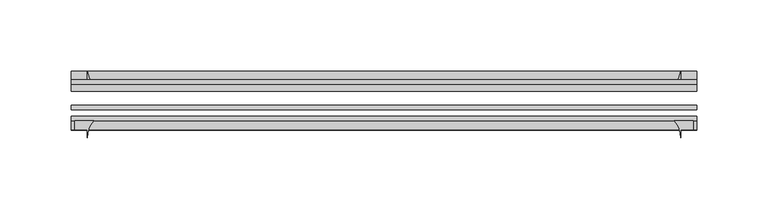
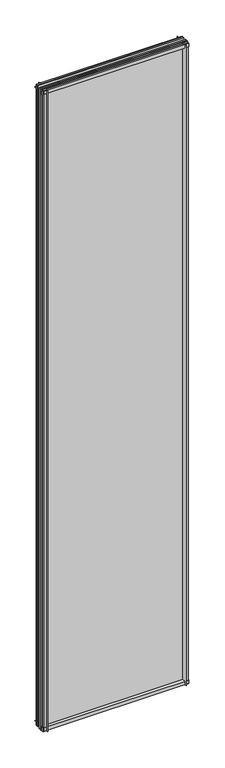
"""IFC4 building model written with IfcOpenShell, lengths in millimetres: plate geometry."""

from ifc_helpers import new_model, si_unit, point, frame, frame_2d, origin, place, context, project, spatial, polyline, circle_curve, trimmed, segment, composite_curve, outline, extrude, source, transform, mapped, element, save


def plate_d829abfe(model_context):
    return source(origin(), model_context, "Body", "SweptSolid", [
        extrude(outline(composite_curve([segment(polyline([(-42.891075, -11.1125), (-42.891075, 3.8539528)]), True, "CONTINUOUS"), segment(trimmed(circle_curve(frame_2d((-26.637892, 29.5913262)), 30.4397495), [point((-42.891075, 3.8539528))], [point((-33.7745413, 0.0))], True, "CARTESIAN"), True, "CONTINUOUS"), segment(polyline([(-33.7745413, 0.0), (-39.690675, 0.0), (-39.690675, -11.1125), (-42.891075, -11.1125)]), True, "CONTINUOUS")], self_intersect=False)), frame((-219.0607125, 0.0, 0.0), z_axis=(1.0, 0.0, 0.0), x_axis=(0.0, 1.0, 0.0)), (0.0, 0.0, 1.0), 438.121425),
        extrude(outline(composite_curve([segment(trimmed(circle_curve(frame_2d((-80.4922797, 17.8701603)), 18.6769817), [point((-74.641075, 0.1333891))], [point((-68.291075, 3.72943))], True, "CARTESIAN"), True, "CONTINUOUS"), segment(polyline([(-68.291075, 3.72943), (-68.291075, -10.3251), (-74.641075, -10.3251), (-74.641075, 0.1333891)]), True, "CONTINUOUS")], self_intersect=False)), frame((-219.0607125, 0.0, 0.0), z_axis=(1.0, 0.0, 0.0), x_axis=(0.0, 1.0, 0.0)), (0.0, 0.0, 1.0), 438.121425),
        extrude(outline(composite_curve([segment(polyline([(-42.891075, 2005.9083472), (-42.891075, 2020.8875), (-39.690675, 2020.8875), (-39.690675, 2009.775), (-33.721675, 2009.775)]), True, "CONTINUOUS"), segment(trimmed(circle_curve(frame_2d((-26.637892, 1980.1709738)), 30.4397495), [point((-33.721675, 2009.775))], [point((-42.891075, 2005.9083472))], True, "CARTESIAN"), True, "CONTINUOUS")], self_intersect=False)), frame((-219.0607125, 0.0, 0.0), z_axis=(1.0, 0.0, 0.0), x_axis=(0.0, 1.0, 0.0)), (0.0, 0.0, 1.0), 438.121425),
        extrude(outline(composite_curve([segment(polyline([(-68.291075, 2018.5126), (-68.291075, 2005.23912)]), True, "CONTINUOUS"), segment(trimmed(circle_curve(frame_2d((-80.4922797, 1991.0983897)), 18.6769817), [point((-68.291075, 2005.23912))], [point((-74.641075, 2008.8351609))], True, "CARTESIAN"), True, "CONTINUOUS"), segment(polyline([(-74.641075, 2008.8351609), (-74.641075, 2018.5126), (-68.291075, 2018.5126)]), True, "CONTINUOUS")], self_intersect=False)), frame((-219.0607125, 0.0, 0.0), z_axis=(1.0, 0.0, 0.0), x_axis=(0.0, 1.0, 0.0)), (0.0, 0.0, 1.0), 438.121425),
        extrude(outline(composite_curve([segment(polyline([(203.4123325, -68.291075), (216.6858125, -68.291075), (216.6858125, -74.641075), (207.9482125, -74.641075), (207.9482125, -80.3744844)]), True, "CONTINUOUS"), segment(trimmed(circle_curve(frame_2d((189.2716022, -80.4922797)), 18.6769817), [point((207.9482125, -80.3744844))], [point((203.4123325, -68.291075))], True, "CARTESIAN"), True, "CONTINUOUS")], self_intersect=False)), frame((0.0, 0.0, -11.1125), z_axis=(0.0, 0.0, 1.0), x_axis=(1.0, 0.0, 0.0)), (0.0, 0.0, 1.0), 2032.0),
        extrude(outline(composite_curve([segment(trimmed(circle_curve(frame_2d((178.3441863, -26.637892)), 30.4397495), [point((204.0815597, -42.891075))], [point((207.9482125, -33.721675))], True, "CARTESIAN"), True, "CONTINUOUS"), segment(polyline([(207.9482125, -33.721675), (207.9482125, -39.690675), (219.0607125, -39.690675), (219.0607125, -42.891075), (204.0815597, -42.891075)]), True, "CONTINUOUS")], self_intersect=False)), frame((0.0, 0.0, -11.1125), z_axis=(0.0, 0.0, 1.0), x_axis=(1.0, 0.0, 0.0)), (0.0, 0.0, 1.0), 2032.0),
        extrude(outline(composite_curve([segment(trimmed(circle_curve(frame_2d((-189.2716022, -80.4922797)), 18.6769817), [point((-203.4123325, -68.291075))], [point((-207.9482125, -80.3744844))], True, "CARTESIAN"), True, "CONTINUOUS"), segment(polyline([(-207.9482125, -80.3744844), (-207.9482125, -74.641075), (-216.6858125, -74.641075), (-216.6858125, -68.291075), (-203.4123325, -68.291075)]), True, "CONTINUOUS")], self_intersect=False)), frame((0.0, 0.0, -11.1125), z_axis=(0.0, 0.0, 1.0), x_axis=(1.0, 0.0, 0.0)), (0.0, 0.0, 1.0), 2032.0),
        extrude(outline(composite_curve([segment(polyline([(-204.0815597, -42.891075), (-219.0607125, -42.891075), (-219.0607125, -39.690675), (-207.9482125, -39.690675), (-207.9482125, -33.721675)]), True, "CONTINUOUS"), segment(trimmed(circle_curve(frame_2d((-178.3441863, -26.637892)), 30.4397495), [point((-207.9482125, -33.721675))], [point((-204.0815597, -42.891075))], True, "CARTESIAN"), True, "CONTINUOUS")], self_intersect=False)), frame((0.0, 0.0, -11.1125), z_axis=(0.0, 0.0, 1.0), x_axis=(1.0, 0.0, 0.0)), (0.0, 0.0, 1.0), 2032.0),
        extrude(outline(polyline([(-219.0607125, -42.891075), (219.0607125, -42.891075), (219.0607125, -47.653575), (-219.0607125, -47.653575), (-219.0607125, -42.891075)])), frame((0.0, 0.0, -11.1125), z_axis=(0.0, 0.0, 1.0), x_axis=(1.0, 0.0, 0.0)), (0.0, 0.0, 1.0), 2032.0),
        extrude(outline(polyline([(219.0607125, -57.369075), (219.0607125, -60.544075), (-219.0607125, -60.544075), (-219.0607125, -57.369075), (219.0607125, -57.369075)])), frame((0.0, 0.0, -11.1125), z_axis=(0.0, 0.0, 1.0), x_axis=(1.0, 0.0, 0.0)), (0.0, 0.0, 1.0), 2032.0),
        extrude(outline(polyline([(-219.0607125, -65.116075), (219.0607125, -65.116075), (219.0607125, -68.291075), (-219.0607125, -68.291075), (-219.0607125, -65.116075)])), frame((0.0, 0.0, -11.1125), z_axis=(0.0, 0.0, 1.0), x_axis=(1.0, 0.0, 0.0)), (0.0, 0.0, 1.0), 2032.0),
    ])


if __name__ == "__main__":
    model = new_model("IFC4")
    model_context = context("Model", 3, world=origin())
    ifc_project = project(units=[si_unit("LENGTHUNIT", "METRE", prefix="MILLI")], contexts=[model_context])
    site = spatial("IfcSite", under=ifc_project)
    building = spatial("IfcBuilding", under=site)
    placement = place(None, origin())
    plate_shape = plate_d829abfe(model_context)
    element("IfcPlate", 1, at=placement, inside=building, context=model_context, shape_type="MappedRepresentation", body=[
        mapped(plate_shape, transform((0.0, 0.0, 0.0), x_axis=(1.0, 0.0, 0.0), y_axis=(0.0, 1.0, 0.0), z_axis=(0.0, 0.0, 1.0))),
    ])
    save(model, "model.ifc")
